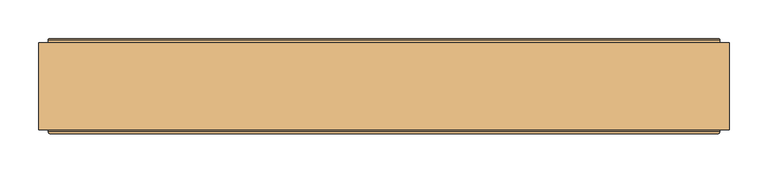
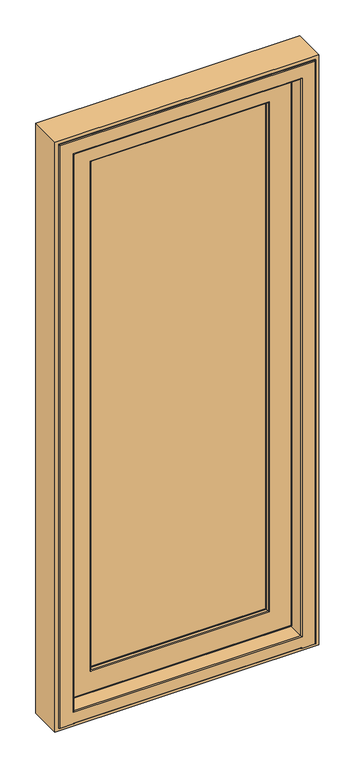
"""IFC4 building model written with IfcOpenShell, lengths in millimetres: door geometry."""

from ifc_helpers import new_model, si_unit, frame, origin, place, context, project, spatial, polyline, circle_curve, ellipse_curve, outline, extrude, source, transform, mapped, element, save
from ifc_brep_helpers import plane_surface, cylinder_surface, revolved_surface, advanced_brep


def door_18494479(model_context):
    return source(origin(), model_context, "Body", "SolidModel", [
        advanced_brep(
        [(396.5, 188.6168436, 2052.5), (396.5, 185.5999985, 2052.5), (396.5, 185.5999985, 47.5), (396.5, 188.6168436, 47.5), (399.0, 193.0, 2055.0), (400.0, 192.0, 2056.0), (400.0, 192.0, 44.0), (399.0, 193.0, 45.0), (304.76011, 192.6156615, 1960.76011), (305.5481207, 193.0, 1961.5481207), (305.5481207, 193.0, 138.4518793), (304.76011, 192.6156615, 139.23989), (296.9926597, 182.6737784, 1952.9926597), (296.9926597, 182.6737784, 147.0073403), (296.9926597, 181.0, 1952.9926597), (296.9926597, 181.0, 147.0073403), (315.3670018, 133.0, 1971.3670018), (321.2606608, 181.0, 1977.2606608), (321.2606608, 181.0, 122.7393392), (315.3670018, 133.0, 128.6329982), (297.0, 130.0, 1953.0), (297.0, 133.0, 1953.0), (297.0, 133.0, 147.0), (297.0, 130.0, 147.0), (297.0218525, 128.7920883, 1953.0218525), (298.0000001, 130.0, 1954.0000001), (298.0000001, 130.0, 145.9999999), (297.0218525, 128.7920883, 146.9781475), (298.8106909, 120.376265, 1954.8106909), (298.8106909, 120.376265, 145.1893091), (301.7451337, 118.0, 1957.7451337), (301.7451337, 118.0, 142.2548663), (377.5618051, 119.7562613, 2033.5618051), (375.5767128, 118.0, 2031.5767128), (375.5767128, 118.0, 68.4232872), (377.5618051, 119.7562613, 66.4381949), (379.5562854, 136.0, 2035.5562854), (379.5562854, 136.0, 64.4437146), (391.0, 185.5999985, 2047.0), (391.0, 136.0, 2047.0), (391.0, 136.0, 53.0), (391.0, 185.5999985, 53.0), (-396.5, 185.5999985, 47.5), (-396.5, 188.6168436, 47.5), (-400.0, 192.0, 44.0), (-399.0, 193.0, 45.0), (-305.5481207, 193.0, 138.4518793), (-304.76011, 192.6156615, 139.23989), (-296.9926597, 182.6737784, 147.0073403), (-296.9926597, 181.0, 147.0073403), (-321.2606608, 181.0, 122.7393392), (-315.3670018, 133.0, 128.6329982), (-297.0, 133.0, 147.0), (-297.0, 130.0, 147.0), (-298.0000001, 130.0, 145.9999999), (-297.0218525, 128.7920883, 146.9781475), (-298.8106909, 120.376265, 145.1893091), (-301.7451337, 118.0, 142.2548663), (-375.5767128, 118.0, 68.4232872), (-377.5618051, 119.7562613, 66.4381949), (-379.5562854, 136.0, 64.4437146), (-391.0, 136.0, 53.0), (-391.0, 185.5999985, 53.0), (-396.5, 185.5999985, 2052.5), (-396.5, 188.6168436, 2052.5), (-400.0, 192.0, 2056.0), (-399.0, 193.0, 2055.0), (-305.5481207, 193.0, 1961.5481207), (-304.76011, 192.6156615, 1960.76011), (-296.9926597, 182.6737784, 1952.9926597), (-296.9926597, 181.0, 1952.9926597), (-321.2606608, 181.0, 1977.2606608), (-315.3670018, 133.0, 1971.3670018), (-297.0, 133.0, 1953.0), (-297.0, 130.0, 1953.0), (-298.0000001, 130.0, 1954.0000001), (-297.0218525, 128.7920883, 1953.0218525), (-298.8106909, 120.376265, 1954.8106909), (-301.7451337, 118.0, 1957.7451337), (-375.5767128, 118.0, 2031.5767128), (-377.5618051, 119.7562613, 2033.5618051), (-379.5562854, 136.0, 2035.5562854), (-391.0, 136.0, 2047.0), (-391.0, 185.5999985, 2047.0), (406.1997151, 189.6865589, 37.8002849), (-406.1997151, 189.6865589, 37.8002849), (-406.1997151, 189.6865589, 2062.1997151), (406.1997151, 189.6865589, 2062.1997151), (400.0, 189.6865589, 2056.0), (-400.0, 189.6865589, 2056.0), (-400.0, 189.6865589, 44.0), (400.0, 189.6865589, 44.0), (406.1997151, 188.6168436, 2062.1997151), (406.1997151, 188.6168436, 37.8002849), (-406.1997151, 188.6168436, 37.8002849), (-406.1997151, 188.6168436, 2062.1997151)],
        [
            (0, 1),
            (1, 2),
            (2, 3),
            (3, 0),
            (4, 5, ellipse_curve(frame((399.0, 192.0, 2055.0), z_axis=(0.7071067811865475, 0.0, -0.7071067811865475), x_axis=(0.7071067811865474, 0.0, 0.7071067811865476)), 1.4142136, 1.0)),
            (5, 6),
            (6, 7, ellipse_curve(frame((399.0, 192.0, 45.0), z_axis=(0.7071067811865475, 0.0, 0.7071067811865475), x_axis=(-0.7071067811865474, 0.0, 0.7071067811865476)), 1.4142136, 1.0)),
            (7, 4),
            (8, 9, ellipse_curve(frame((305.5481207, 192.0, 1961.5481207), z_axis=(0.7071067811865475, 0.0, -0.7071067811865475), x_axis=(0.7071067811865474, 0.0, 0.7071067811865476)), 1.4142136, 1.0)),
            (9, 10),
            (10, 11, ellipse_curve(frame((305.5481207, 192.0, 138.4518793), z_axis=(0.7071067811865475, 0.0, 0.7071067811865475), x_axis=(-0.7071067811865474, 0.0, 0.7071067811865476)), 1.4142136, 1.0)),
            (11, 8),
            (12, 8),
            (11, 13),
            (13, 12),
            (14, 12),
            (13, 15),
            (15, 14),
            (16, 17),
            (17, 18),
            (18, 19),
            (19, 16),
            (20, 21),
            (21, 22),
            (22, 23),
            (23, 20),
            (24, 25, ellipse_curve(frame((298.0000001, 129.0, 1954.0000001), z_axis=(0.7071067811865475, 0.0, -0.7071067811865475), x_axis=(0.7071067811865474, 0.0, 0.7071067811865476)), 1.4142136, 1.0)),
            (25, 26),
            (26, 27, ellipse_curve(frame((298.0000001, 129.0, 145.9999999), z_axis=(0.7071067811865475, 0.0, 0.7071067811865475), x_axis=(-0.7071067811865474, 0.0, 0.7071067811865476)), 1.4142136, 1.0)),
            (27, 24),
            (28, 24),
            (27, 29),
            (29, 28),
            (30, 28, ellipse_curve(frame((301.7451337, 121.0, 1957.7451337), z_axis=(0.7071067811865475, 0.0, -0.7071067811865475), x_axis=(0.7071067811865474, 0.0, 0.7071067811865476)), 4.2426407, 3.0)),
            (29, 31, ellipse_curve(frame((301.7451337, 121.0, 142.2548663), z_axis=(0.7071067811865475, 0.0, 0.7071067811865475), x_axis=(-0.7071067811865474, 0.0, 0.7071067811865476)), 4.2426407, 3.0)),
            (31, 30),
            (32, 33, ellipse_curve(frame((375.5767128, 120.0, 2031.5767128), z_axis=(0.7071067811865475, 0.0, -0.7071067811865475), x_axis=(0.7071067811865474, 0.0, 0.7071067811865476)), 2.8284271, 2.0)),
            (33, 34),
            (34, 35, ellipse_curve(frame((375.5767128, 120.0, 68.4232872), z_axis=(0.7071067811865475, 0.0, 0.7071067811865475), x_axis=(-0.7071067811865474, 0.0, 0.7071067811865476)), 2.8284271, 2.0)),
            (35, 32),
            (36, 32),
            (35, 37),
            (37, 36),
            (38, 39),
            (39, 40),
            (40, 41),
            (41, 38),
            (2, 42),
            (42, 43),
            (43, 3),
            (6, 44),
            (44, 45, ellipse_curve(frame((-399.0, 192.0, 45.0), z_axis=(0.7071067811865475, 0.0, -0.7071067811865475), x_axis=(0.7071067811865476, 0.0, 0.7071067811865474)), 1.4142136, 1.0)),
            (45, 7),
            (10, 46),
            (46, 47, ellipse_curve(frame((-305.5481207, 192.0, 138.4518793), z_axis=(0.7071067811865475, 0.0, -0.7071067811865475), x_axis=(0.7071067811865476, 0.0, 0.7071067811865474)), 1.4142136, 1.0)),
            (47, 11),
            (47, 48),
            (48, 13),
            (48, 49),
            (49, 15),
            (18, 50),
            (50, 51),
            (51, 19),
            (22, 52),
            (52, 53),
            (53, 23),
            (26, 54),
            (54, 55, ellipse_curve(frame((-298.0000001, 129.0, 145.9999999), z_axis=(0.7071067811865475, 0.0, -0.7071067811865475), x_axis=(0.7071067811865476, 0.0, 0.7071067811865474)), 1.4142136, 1.0)),
            (55, 27),
            (55, 56),
            (56, 29),
            (56, 57, ellipse_curve(frame((-301.7451337, 121.0, 142.2548663), z_axis=(0.7071067811865475, 0.0, -0.7071067811865475), x_axis=(0.7071067811865476, 0.0, 0.7071067811865474)), 4.2426407, 3.0)),
            (57, 31),
            (34, 58),
            (58, 59, ellipse_curve(frame((-375.5767128, 120.0, 68.4232872), z_axis=(0.7071067811865475, 0.0, -0.7071067811865475), x_axis=(0.7071067811865476, 0.0, 0.7071067811865474)), 2.8284271, 2.0)),
            (59, 35),
            (59, 60),
            (60, 37),
            (40, 61),
            (61, 62),
            (62, 41),
            (42, 63),
            (63, 64),
            (64, 43),
            (44, 65),
            (65, 66, ellipse_curve(frame((-399.0, 192.0, 2055.0), z_axis=(-0.7071067811865475, 0.0, -0.7071067811865475), x_axis=(0.7071067811865474, 0.0, -0.7071067811865476)), 1.4142136, 1.0)),
            (66, 45),
            (46, 67),
            (67, 68, ellipse_curve(frame((-305.5481207, 192.0, 1961.5481207), z_axis=(-0.7071067811865475, 0.0, -0.7071067811865475), x_axis=(0.7071067811865474, 0.0, -0.7071067811865476)), 1.4142136, 1.0)),
            (68, 47),
            (68, 69),
            (69, 48),
            (69, 70),
            (70, 49),
            (50, 71),
            (71, 72),
            (72, 51),
            (52, 73),
            (73, 74),
            (74, 53),
            (54, 75),
            (75, 76, ellipse_curve(frame((-298.0000001, 129.0, 1954.0000001), z_axis=(-0.7071067811865475, 0.0, -0.7071067811865475), x_axis=(0.7071067811865474, 0.0, -0.7071067811865476)), 1.4142136, 1.0)),
            (76, 55),
            (76, 77),
            (77, 56),
            (77, 78, ellipse_curve(frame((-301.7451337, 121.0, 1957.7451337), z_axis=(-0.7071067811865475, 0.0, -0.7071067811865475), x_axis=(0.7071067811865474, 0.0, -0.7071067811865476)), 4.2426407, 3.0)),
            (78, 57),
            (58, 79),
            (79, 80, ellipse_curve(frame((-375.5767128, 120.0, 2031.5767128), z_axis=(-0.7071067811865475, 0.0, -0.7071067811865475), x_axis=(0.7071067811865474, 0.0, -0.7071067811865476)), 2.8284271, 2.0)),
            (80, 59),
            (80, 81),
            (81, 60),
            (61, 82),
            (82, 83),
            (83, 62),
            (1, 63),
            (83, 38),
            (0, 64),
            (84, 85),
            (85, 86),
            (86, 87),
            (87, 84),
            (88, 89),
            (89, 90),
            (90, 91),
            (91, 88),
            (65, 5),
            (4, 66),
            (9, 67),
            (8, 68),
            (12, 69),
            (14, 70),
            (17, 71),
            (16, 72),
            (21, 73),
            (20, 74),
            (25, 75),
            (24, 76),
            (28, 77),
            (30, 78),
            (33, 79),
            (32, 80),
            (36, 81),
            (39, 82),
            (87, 92),
            (92, 93),
            (93, 84),
            (5, 88),
            (91, 6),
            (93, 94),
            (94, 85),
            (90, 44),
            (94, 95),
            (95, 86),
            (89, 65),
            (92, 95),
        ],
        [
            plane_surface(frame((396.5, 185.5999985, 2052.5), z_axis=(1.0, 0.0, 0.0), x_axis=(0.0, 0.0, -1.0))),
            cylinder_surface(frame((399.0, 192.0, 2047.0), z_axis=(0.0, 0.0, 1.0), x_axis=(0.0, -1.0, 0.0)), 1.0),
            cylinder_surface(frame((305.5481207, 192.0, 2047.0), z_axis=(0.0, 0.0, 1.0), x_axis=(0.0, -1.0, 0.0)), 1.0),
            plane_surface(frame((304.76011, 192.6156615, 1960.76011), z_axis=(-0.7880107536067479, 0.6156614753256251, 0.0), x_axis=(0.0, 0.0, -1.0))),
            plane_surface(frame((296.9926597, 182.6737784, 1952.9926597), z_axis=(-1.0, 0.0, 0.0), x_axis=(0.0, 0.0, -1.0))),
            plane_surface(frame((321.2606608, 181.0, 1977.2606608), z_axis=(-0.9925461516413231, 0.12186934340513902, 0.0), x_axis=(0.0, 0.0, -1.0))),
            plane_surface(frame((297.0, 133.0, 1953.0), z_axis=(-1.0, 0.0, 0.0), x_axis=(0.0, 0.0, -1.0))),
            cylinder_surface(frame((298.0000001, 129.0, 2047.0), z_axis=(0.0, 0.0, 1.0), x_axis=(0.0, -1.0, 0.0)), 1.0),
            plane_surface(frame((297.0218525, 128.7920883, 1953.0218525), z_axis=(-0.978147604222882, -0.20791167440294514, 0.0), x_axis=(0.0, 0.0, -1.0))),
            cylinder_surface(frame((301.7451337, 121.0, 2047.0), z_axis=(0.0, 0.0, 1.0), x_axis=(0.0, -1.0, 0.0)), 3.0),
            cylinder_surface(frame((375.5767128, 120.0, 2047.0), z_axis=(0.0, 0.0, 1.0), x_axis=(0.0, -1.0, 0.0)), 2.0),
            plane_surface(frame((377.5618051, 119.7562613, 2033.5618051), z_axis=(0.9925461516416144, -0.12186934340276656, 0.0), x_axis=(0.0, 0.0, -1.0))),
            plane_surface(frame((391.0, 136.0, 2047.0), z_axis=(1.0, 0.0, 0.0), x_axis=(0.0, 0.0, -1.0))),
            plane_surface(frame((396.5, 185.5999985, 47.5), z_axis=(0.0, 0.0, -1.0), x_axis=(-1.0, 0.0, 0.0))),
            cylinder_surface(frame((391.0, 192.0, 45.0), z_axis=(1.0, 0.0, 0.0), x_axis=(0.0, -1.0, 0.0)), 1.0),
            cylinder_surface(frame((391.0, 192.0, 138.4518793), z_axis=(1.0, 0.0, 0.0), x_axis=(0.0, -1.0, 0.0)), 1.0),
            plane_surface(frame((304.76011, 192.6156615, 139.23989), z_axis=(0.0, 0.6156614753256251, 0.7880107536067479), x_axis=(-1.0, 0.0, 0.0))),
            plane_surface(frame((296.9926597, 182.6737784, 147.0073403), z_axis=(0.0, 0.0, 1.0), x_axis=(-1.0, 0.0, 0.0))),
            plane_surface(frame((321.2606608, 181.0, 122.7393392), z_axis=(0.0, 0.12186934340513902, 0.9925461516413231), x_axis=(-1.0, 0.0, 0.0))),
            plane_surface(frame((297.0, 133.0, 147.0), z_axis=(0.0, 0.0, 1.0), x_axis=(-1.0, 0.0, 0.0))),
            cylinder_surface(frame((391.0, 129.0, 145.9999999), z_axis=(1.0, 0.0, 0.0), x_axis=(0.0, -1.0, 0.0)), 1.0),
            plane_surface(frame((297.0218525, 128.7920883, 146.9781475), z_axis=(0.0, -0.20791167440294514, 0.978147604222882), x_axis=(-1.0, 0.0, 0.0))),
            cylinder_surface(frame((391.0, 121.0, 142.2548663), z_axis=(1.0, 0.0, 0.0), x_axis=(0.0, -1.0, 0.0)), 3.0),
            cylinder_surface(frame((391.0, 120.0, 68.4232872), z_axis=(1.0, 0.0, 0.0), x_axis=(0.0, -1.0, 0.0)), 2.0),
            plane_surface(frame((377.5618051, 119.7562613, 66.4381949), z_axis=(0.0, -0.12186934340276656, -0.9925461516416144), x_axis=(-1.0, 0.0, 0.0))),
            plane_surface(frame((391.0, 136.0, 53.0), z_axis=(0.0, 0.0, -1.0), x_axis=(-1.0, 0.0, 0.0))),
            plane_surface(frame((-396.5, 185.5999985, 47.5), z_axis=(-1.0, 0.0, 0.0), x_axis=(0.0, 0.0, 1.0))),
            cylinder_surface(frame((-399.0, 192.0, 53.0), z_axis=(0.0, 0.0, -1.0), x_axis=(0.0, -1.0, 0.0)), 1.0),
            cylinder_surface(frame((-305.5481207, 192.0, 53.0), z_axis=(0.0, 0.0, -1.0), x_axis=(0.0, -1.0, 0.0)), 1.0),
            plane_surface(frame((-304.76011, 192.6156615, 139.23989), z_axis=(0.7880107536067479, 0.6156614753256251, 0.0), x_axis=(0.0, 0.0, 1.0))),
            plane_surface(frame((-296.9926597, 182.6737784, 147.0073403), z_axis=(1.0, 0.0, 0.0), x_axis=(0.0, 0.0, 1.0))),
            plane_surface(frame((-321.2606608, 181.0, 122.7393392), z_axis=(0.9925461516413231, 0.12186934340513902, 0.0), x_axis=(0.0, 0.0, 1.0))),
            plane_surface(frame((-297.0, 133.0, 147.0), z_axis=(1.0, 0.0, 0.0), x_axis=(0.0, 0.0, 1.0))),
            cylinder_surface(frame((-298.0000001, 129.0, 53.0), z_axis=(0.0, 0.0, -1.0), x_axis=(0.0, -1.0, 0.0)), 1.0),
            plane_surface(frame((-297.0218525, 128.7920883, 146.9781475), z_axis=(0.978147604222882, -0.20791167440294514, 0.0), x_axis=(0.0, 0.0, 1.0))),
            cylinder_surface(frame((-301.7451337, 121.0, 53.0), z_axis=(0.0, 0.0, -1.0), x_axis=(0.0, -1.0, 0.0)), 3.0),
            cylinder_surface(frame((-375.5767128, 120.0, 53.0), z_axis=(0.0, 0.0, -1.0), x_axis=(0.0, -1.0, 0.0)), 2.0),
            plane_surface(frame((-377.5618051, 119.7562613, 66.4381949), z_axis=(-0.9925461516416144, -0.12186934340276656, 0.0), x_axis=(0.0, 0.0, 1.0))),
            plane_surface(frame((-391.0, 136.0, 53.0), z_axis=(-1.0, 0.0, 0.0), x_axis=(0.0, 0.0, 1.0))),
            plane_surface(frame((-391.0, 185.5999985, 2047.0), z_axis=(0.0, -1.0, 0.0), x_axis=(1.0, 0.0, 0.0))),
            plane_surface(frame((-396.5, 185.5999985, 2052.5), z_axis=(0.0, 0.0, 1.0), x_axis=(1.0, 0.0, 0.0))),
            plane_surface(frame((-406.1997151, 189.6865589, 2062.1997151), z_axis=(0.0, 1.0, 0.0), x_axis=(1.0, 0.0, 0.0))),
            cylinder_surface(frame((-391.0, 192.0, 2055.0), z_axis=(-1.0, 0.0, 0.0), x_axis=(0.0, -1.0, 0.0)), 1.0),
            plane_surface(frame((-399.0, 193.0, 2055.0), z_axis=(0.0, 1.0, 0.0), x_axis=(1.0, 0.0, 0.0))),
            cylinder_surface(frame((-391.0, 192.0, 1961.5481207), z_axis=(-1.0, 0.0, 0.0), x_axis=(0.0, -1.0, 0.0)), 1.0),
            plane_surface(frame((-304.76011, 192.6156615, 1960.76011), z_axis=(0.0, 0.6156614753256251, -0.7880107536067479), x_axis=(1.0, 0.0, 0.0))),
            plane_surface(frame((-296.9926597, 182.6737784, 1952.9926597), z_axis=(0.0, 0.0, -1.0), x_axis=(1.0, 0.0, 0.0))),
            plane_surface(frame((-296.9926597, 181.0, 1952.9926597), z_axis=(0.0, -1.0, 0.0), x_axis=(1.0, 0.0, 0.0))),
            plane_surface(frame((-321.2606608, 181.0, 1977.2606608), z_axis=(0.0, 0.12186934340513902, -0.9925461516413231), x_axis=(1.0, 0.0, 0.0))),
            plane_surface(frame((-315.3670018, 133.0, 1971.3670018), z_axis=(0.0, 1.0, 0.0), x_axis=(1.0, 0.0, 0.0))),
            plane_surface(frame((-297.0, 133.0, 1953.0), z_axis=(0.0, 0.0, -1.0), x_axis=(1.0, 0.0, 0.0))),
            plane_surface(frame((-297.0, 130.0, 1953.0), z_axis=(0.0, -1.0, 0.0), x_axis=(1.0, 0.0, 0.0))),
            cylinder_surface(frame((-391.0, 129.0, 1954.0000001), z_axis=(-1.0, 0.0, 0.0), x_axis=(0.0, -1.0, 0.0)), 1.0),
            plane_surface(frame((-297.0218525, 128.7920883, 1953.0218525), z_axis=(0.0, -0.20791167440294514, -0.978147604222882), x_axis=(1.0, 0.0, 0.0))),
            cylinder_surface(frame((-391.0, 121.0, 1957.7451337), z_axis=(-1.0, 0.0, 0.0), x_axis=(0.0, -1.0, 0.0)), 3.0),
            plane_surface(frame((-301.7451337, 118.0, 1957.7451337), z_axis=(0.0, -1.0, 0.0), x_axis=(1.0, 0.0, 0.0))),
            cylinder_surface(frame((-391.0, 120.0, 2031.5767128), z_axis=(-1.0, 0.0, 0.0), x_axis=(0.0, -1.0, 0.0)), 2.0),
            plane_surface(frame((-377.5618051, 119.7562613, 2033.5618051), z_axis=(0.0, -0.12186934340276656, 0.9925461516416144), x_axis=(1.0, 0.0, 0.0))),
            plane_surface(frame((-379.5562854, 136.0, 2035.5562854), z_axis=(0.0, -1.0, 0.0), x_axis=(1.0, 0.0, 0.0))),
            plane_surface(frame((-391.0, 136.0, 2047.0), z_axis=(0.0, 0.0, 1.0), x_axis=(1.0, 0.0, 0.0))),
            plane_surface(frame((406.1997151, 188.6168436, 2062.1997151), z_axis=(1.0, 0.0, 0.0), x_axis=(0.0, 0.0, -1.0))),
            plane_surface(frame((400.0, 189.6865589, 2056.0), z_axis=(1.0, 0.0, 0.0), x_axis=(0.0, 0.0, -1.0))),
            plane_surface(frame((406.1997151, 188.6168436, 37.8002849), z_axis=(0.0, 0.0, -1.0), x_axis=(-1.0, 0.0, 0.0))),
            plane_surface(frame((400.0, 189.6865589, 44.0), z_axis=(0.0, 0.0, -1.0), x_axis=(-1.0, 0.0, 0.0))),
            plane_surface(frame((-406.1997151, 188.6168436, 37.8002849), z_axis=(-1.0, 0.0, 0.0), x_axis=(0.0, 0.0, 1.0))),
            plane_surface(frame((-400.0, 189.6865589, 44.0), z_axis=(-1.0, 0.0, 0.0), x_axis=(0.0, 0.0, 1.0))),
            plane_surface(frame((-396.5, 188.6168436, 2052.5), z_axis=(0.0, -1.0, 0.0), x_axis=(1.0, 0.0, 0.0))),
            plane_surface(frame((-406.1997151, 188.6168436, 2062.1997151), z_axis=(0.0, 0.0, 1.0), x_axis=(1.0, 0.0, 0.0))),
            plane_surface(frame((-400.0, 189.6865589, 2056.0), z_axis=(0.0, 0.0, 1.0), x_axis=(1.0, 0.0, 0.0))),
        ],
        [
            (0, [[1, 2, 3, 4]]),
            (1, [[5, 6, 7, 8]]),
            (2, [[9, 10, 11, 12]]),
            (3, [[13, -12, 14, 15]]),
            (4, [[16, -15, 17, 18]]),
            (5, [[19, 20, 21, 22]]),
            (6, [[23, 24, 25, 26]]),
            (7, [[27, 28, 29, 30]]),
            (8, [[31, -30, 32, 33]]),
            (9, [[34, -33, 35, 36]]),
            (10, [[37, 38, 39, 40]]),
            (11, [[41, -40, 42, 43]]),
            (12, [[44, 45, 46, 47]]),
            (13, [[-3, 48, 49, 50]]),
            (14, [[-7, 51, 52, 53]]),
            (15, [[-11, 54, 55, 56]]),
            (16, [[-14, -56, 57, 58]]),
            (17, [[-17, -58, 59, 60]]),
            (18, [[-21, 61, 62, 63]]),
            (19, [[-25, 64, 65, 66]]),
            (20, [[-29, 67, 68, 69]]),
            (21, [[-32, -69, 70, 71]]),
            (22, [[-35, -71, 72, 73]]),
            (23, [[-39, 74, 75, 76]]),
            (24, [[-42, -76, 77, 78]]),
            (25, [[-46, 79, 80, 81]]),
            (26, [[-49, 82, 83, 84]]),
            (27, [[-52, 85, 86, 87]]),
            (28, [[-55, 88, 89, 90]]),
            (29, [[-57, -90, 91, 92]]),
            (30, [[-59, -92, 93, 94]]),
            (31, [[-62, 95, 96, 97]]),
            (32, [[-65, 98, 99, 100]]),
            (33, [[-68, 101, 102, 103]]),
            (34, [[-70, -103, 104, 105]]),
            (35, [[-72, -105, 106, 107]]),
            (36, [[-75, 108, 109, 110]]),
            (37, [[-77, -110, 111, 112]]),
            (38, [[-80, 113, 114, 115]]),
            (39, [[116, -82, -48, -2], [-81, -115, 117, -47]]),
            (40, [[-83, -116, -1, 118]]),
            (41, [[119, 120, 121, 122], [123, 124, 125, 126]]),
            (42, [[-86, 127, -5, 128]]),
            (43, [[-53, -87, -128, -8], [129, -88, -54, -10]]),
            (44, [[-89, -129, -9, 130]]),
            (45, [[-91, -130, -13, 131]]),
            (46, [[-93, -131, -16, 132]]),
            (47, [[133, -95, -61, -20], [-60, -94, -132, -18]]),
            (48, [[-96, -133, -19, 134]]),
            (49, [[-63, -97, -134, -22], [135, -98, -64, -24]]),
            (50, [[-99, -135, -23, 136]]),
            (51, [[137, -101, -67, -28], [-66, -100, -136, -26]]),
            (52, [[-102, -137, -27, 138]]),
            (53, [[-104, -138, -31, 139]]),
            (54, [[-106, -139, -34, 140]]),
            (55, [[141, -108, -74, -38], [-73, -107, -140, -36]]),
            (56, [[-109, -141, -37, 142]]),
            (57, [[-111, -142, -41, 143]]),
            (58, [[144, -113, -79, -45], [-78, -112, -143, -43]]),
            (59, [[-114, -144, -44, -117]]),
            (60, [[145, 146, 147, -122]]),
            (61, [[148, -126, 149, -6]]),
            (62, [[-147, 150, 151, -119]]),
            (63, [[-149, -125, 152, -51]]),
            (64, [[-151, 153, 154, -120]]),
            (65, [[-152, -124, 155, -85]]),
            (66, [[156, -153, -150, -146], [-50, -84, -118, -4]]),
            (67, [[-154, -156, -145, -121]]),
            (68, [[-155, -123, -148, -127]]),
        ],
    ),
        extrude(outline(polyline([(306.1459285, 133.0110098), (-306.1459285, 133.0110098), (-306.1459285, 181.0110098), (306.1459285, 181.0110098), (306.1459285, 133.0110098)])), frame((0.0, 0.0, 137.8540715), z_axis=(0.0, 0.0, 1.0), x_axis=(1.0, 0.0, 0.0)), (0.0, 0.0, 1.0), 1824.291857),
        extrude(outline(polyline([(2100.0, -444.0), (0.0, -444.0), (0.0, 444.0), (2100.0, 444.0), (2100.0, -444.0)]), holes=[polyline([(2088.0, 432.0), (12.0, 432.0), (12.0, -432.0), (2088.0, -432.0), (2088.0, 432.0)])]), frame((0.0, 77.0, 0.0), z_axis=(0.0, 1.0, 0.0), x_axis=(0.0, 0.0, 1.0)), (0.0, 0.0, 1.0), 112.0),
        advanced_brep(
        [(406.7857488, 186.453125, 12.0), (407.6, 186.453125, 12.0), (407.6, 193.0, 12.0), (408.6, 194.0, 12.0), (431.0, 194.0, 12.0), (432.0, 193.0, 12.0), (432.0, 75.0, 12.0), (429.0, 72.0, 12.0), (385.0, 72.0, 12.0), (382.0, 75.0, 12.0), (-382.0, 75.0, 12.0), (-385.0, 72.0, 12.0), (-429.0, 72.0, 12.0), (-432.0, 75.0, 12.0), (-432.0, 193.0, 12.0), (-431.0, 194.0, 12.0), (-408.6, 194.0, 12.0), (-407.6, 193.0, 12.0), (-407.6, 186.453125, 12.0), (-406.7857488, 186.453125, 12.0), (-406.7857488, 191.0, 12.0), (406.7857488, 191.0, 12.0), (406.7857488, 186.453125, 31.1912124), (406.7857488, 186.453125, 2062.7857488), (-406.7857488, 186.453125, 2062.7857488), (-406.7857488, 186.453125, 31.1912124), (-407.6, 186.453125, 2063.6), (407.6, 186.453125, 2063.6), (407.6, 193.0, 2063.6), (408.6, 194.0, 2064.6), (-408.6, 194.0, 2064.6), (-431.0, 194.0, 2087.0), (431.0, 194.0, 2087.0), (432.0, 193.0, 2088.0), (432.0, 75.0, 2088.0), (429.0, 72.0, 2085.0), (-429.0, 72.0, 2085.0), (-385.0, 72.0, 15.0), (385.0, 72.0, 15.0), (385.0, 72.0, 2041.0), (385.0, 72.0, 53.0), (-385.0, 72.0, 53.0), (-385.0, 72.0, 2041.0), (382.0, 75.0, 2038.0), (382.0, 75.0, 56.0), (-382.0, 75.0, 2038.0), (-382.0, 75.0, 56.0), (-432.0, 75.0, 2088.0), (-432.0, 193.0, 2088.0), (-407.6, 193.0, 2063.6), (-406.7857488, 191.365608, 30.5880353), (-406.7857488, 194.0, 27.6103969), (-406.7857488, 194.0, 15.0), (406.7857488, 194.0, 15.0), (406.7857488, 194.0, 27.6103969), (406.7857488, 191.365608, 30.5880353), (-398.6498733, 131.0, 2054.6498733), (398.6498733, 131.0, 2054.6498733), (398.6498733, 131.0, 39.3270879), (-398.6498733, 131.0, 39.3270879), (383.5, 131.0, 2039.5), (-383.5, 131.0, 2039.5), (-383.5, 131.0, 54.5), (383.5, 131.0, 54.5), (382.0, 129.5, 2038.0), (382.0, 129.5, 56.0), (-382.0, 129.5, 56.0), (-382.0, 129.5, 2038.0), (400.1386925, 132.317196, 2056.1386925), (400.1386925, 132.317196, 37.8382687), (-400.1386925, 132.317196, 37.8382687), (-400.1386925, 132.317196, 2056.1386925)],
        [
            (0, 1),
            (1, 2),
            (2, 3, circle_curve(frame((408.6, 193.0, 12.0), z_axis=(0.0, 0.0, -1.0), x_axis=(-1.0, 0.0, 0.0)), 1.0)),
            (3, 4),
            (4, 5, circle_curve(frame((431.0, 193.0, 12.0), z_axis=(0.0, 0.0, -1.0), x_axis=(-1.0, 0.0, 0.0)), 1.0)),
            (5, 6),
            (6, 7, circle_curve(frame((429.0, 75.0, 12.0), z_axis=(0.0, 0.0, -1.0), x_axis=(-1.0, 0.0, 0.0)), 3.0)),
            (7, 8),
            (8, 9, circle_curve(frame((385.0, 75.0, 12.0), z_axis=(0.0, 0.0, -1.0), x_axis=(-1.0, 0.0, 0.0)), 3.0)),
            (9, 10),
            (10, 11, circle_curve(frame((-385.0, 75.0, 12.0), z_axis=(0.0, 0.0, -1.0), x_axis=(1.0, 0.0, 0.0)), 3.0)),
            (11, 12),
            (12, 13, circle_curve(frame((-429.0, 75.0, 12.0), z_axis=(0.0, 0.0, -1.0), x_axis=(1.0, 0.0, 0.0)), 3.0)),
            (13, 14),
            (14, 15, circle_curve(frame((-431.0, 193.0, 12.0), z_axis=(0.0, 0.0, -1.0), x_axis=(1.0, 0.0, 0.0)), 1.0)),
            (15, 16),
            (16, 17, circle_curve(frame((-408.6, 193.0, 12.0), z_axis=(0.0, 0.0, -1.0), x_axis=(1.0, 0.0, 0.0)), 1.0)),
            (17, 18),
            (18, 19),
            (19, 20),
            (20, 21),
            (21, 0),
            (0, 22),
            (22, 23),
            (23, 24),
            (24, 25),
            (25, 19),
            (18, 26),
            (26, 27),
            (27, 1),
            (27, 28),
            (28, 2),
            (28, 29, ellipse_curve(frame((408.6, 193.0, 2064.6), z_axis=(0.7071067811865475, 0.0, -0.7071067811865475), x_axis=(-0.7071067811865474, 0.0, -0.7071067811865476)), 1.4142136, 1.0)),
            (29, 3),
            (29, 30),
            (30, 16),
            (15, 31),
            (31, 32),
            (32, 4),
            (32, 33, ellipse_curve(frame((431.0, 193.0, 2087.0), z_axis=(0.7071067811865475, 0.0, -0.7071067811865475), x_axis=(-0.7071067811865474, 0.0, -0.7071067811865476)), 1.4142136, 1.0)),
            (33, 5),
            (33, 34),
            (34, 6),
            (34, 35, ellipse_curve(frame((429.0, 75.0, 2085.0), z_axis=(0.7071067811865475, 0.0, -0.7071067811865475), x_axis=(-0.7071067811865474, 0.0, -0.7071067811865476)), 4.2426407, 3.0)),
            (35, 7),
            (35, 36),
            (36, 12),
            (11, 37),
            (37, 38),
            (38, 8),
            (39, 40),
            (40, 41),
            (41, 42),
            (42, 39),
            (38, 9, ellipse_curve(frame((385.0, 75.0, 15.0), z_axis=(0.7071067811865475, 0.0, -0.7071067811865475), x_axis=(-0.7071067811865474, 0.0, -0.7071067811865476)), 4.2426407, 3.0)),
            (39, 43, ellipse_curve(frame((385.0, 75.0, 2041.0), z_axis=(0.7071067811865475, 0.0, -0.7071067811865475), x_axis=(-0.7071067811865474, 0.0, -0.7071067811865476)), 4.2426407, 3.0)),
            (43, 44),
            (44, 40, ellipse_curve(frame((385.0, 75.0, 53.0), z_axis=(0.7071067811865475, 0.0, 0.7071067811865475), x_axis=(0.7071067811865474, 0.0, -0.7071067811865476)), 4.2426407, 3.0)),
            (37, 10, ellipse_curve(frame((-385.0, 75.0, 15.0), z_axis=(0.7071067811865475, 0.0, 0.7071067811865475), x_axis=(-0.7071067811865476, 0.0, 0.7071067811865474)), 4.2426407, 3.0)),
            (45, 42, ellipse_curve(frame((-385.0, 75.0, 2041.0), z_axis=(-0.7071067811865475, 0.0, -0.7071067811865475), x_axis=(-0.7071067811865474, 0.0, 0.7071067811865476)), 4.2426407, 3.0)),
            (41, 46, ellipse_curve(frame((-385.0, 75.0, 53.0), z_axis=(-0.7071067811865475, 0.0, 0.7071067811865475), x_axis=(0.7071067811865474, 0.0, 0.7071067811865476)), 4.2426407, 3.0)),
            (46, 45),
            (36, 47, ellipse_curve(frame((-429.0, 75.0, 2085.0), z_axis=(-0.7071067811865475, 0.0, -0.7071067811865475), x_axis=(-0.7071067811865474, 0.0, 0.7071067811865476)), 4.2426407, 3.0)),
            (47, 13),
            (47, 48),
            (48, 14),
            (48, 31, ellipse_curve(frame((-431.0, 193.0, 2087.0), z_axis=(-0.7071067811865475, 0.0, -0.7071067811865475), x_axis=(-0.7071067811865474, 0.0, 0.7071067811865476)), 1.4142136, 1.0)),
            (30, 49, ellipse_curve(frame((-408.6, 193.0, 2064.6), z_axis=(-0.7071067811865475, 0.0, -0.7071067811865475), x_axis=(-0.7071067811865474, 0.0, 0.7071067811865476)), 1.4142136, 1.0)),
            (49, 17),
            (49, 26),
            (50, 51, circle_curve(frame((-406.7857488, 191.0, 27.6103969), z_axis=(-1.0, 0.0, 0.0), x_axis=(0.0, -1.0, 0.0)), 3.0)),
            (51, 52),
            (52, 20, circle_curve(frame((-406.7857488, 191.0, 15.0), z_axis=(-1.0, 0.0, 0.0), x_axis=(0.0, -1.0, 0.0)), 3.0)),
            (25, 50),
            (52, 53),
            (53, 21, circle_curve(frame((406.7857488, 191.0, 15.0), z_axis=(-1.0, 0.0, 0.0), x_axis=(0.0, -1.0, 0.0)), 3.0)),
            (53, 54),
            (54, 55, circle_curve(frame((406.7857488, 191.0, 27.6103969), z_axis=(1.0, 0.0, 0.0), x_axis=(0.0, -1.0, 0.0)), 3.0)),
            (55, 22),
            (56, 57),
            (57, 58),
            (58, 59),
            (59, 56),
            (60, 61),
            (61, 62),
            (62, 63),
            (63, 60),
            (64, 60, ellipse_curve(frame((383.5, 129.5, 2039.5), z_axis=(0.7071067811865475, 0.0, -0.7071067811865475), x_axis=(-0.7071067811865474, 0.0, -0.7071067811865476)), 2.1213203, 1.5)),
            (63, 65, ellipse_curve(frame((383.5, 129.5, 54.5), z_axis=(0.7071067811865475, 0.0, 0.7071067811865475), x_axis=(0.7071067811865474, 0.0, -0.7071067811865476)), 2.1213203, 1.5)),
            (65, 64),
            (62, 66, ellipse_curve(frame((-383.5, 129.5, 54.5), z_axis=(0.7071067811865475, 0.0, -0.7071067811865475), x_axis=(-0.7071067811865476, 0.0, -0.7071067811865474)), 2.1213203, 1.5)),
            (66, 65),
            (43, 64),
            (65, 44),
            (61, 67, ellipse_curve(frame((-383.5, 129.5, 2039.5), z_axis=(-0.7071067811865475, 0.0, -0.7071067811865475), x_axis=(-0.7071067811865474, 0.0, 0.7071067811865476)), 2.1213203, 1.5)),
            (67, 66),
            (57, 68, ellipse_curve(frame((398.6498733, 132.5, 2054.6498733), z_axis=(-0.7071067811865475, 0.0, 0.7071067811865475), x_axis=(0.7071067811865474, 0.0, 0.7071067811865476)), 2.1213203, 1.5)),
            (68, 69),
            (69, 58, ellipse_curve(frame((398.6498733, 132.5, 39.3270879), z_axis=(-0.7071067811865475, 0.0, -0.7071067811865475), x_axis=(-0.7071067811865474, 0.0, 0.7071067811865476)), 2.1213203, 1.5)),
            (69, 70),
            (70, 59, ellipse_curve(frame((-398.6498733, 132.5, 39.3270879), z_axis=(-0.7071067811865475, 0.0, 0.7071067811865475), x_axis=(0.7071067811865476, 0.0, 0.7071067811865474)), 2.1213203, 1.5)),
            (71, 56, ellipse_curve(frame((-398.6498733, 132.5, 2054.6498733), z_axis=(0.7071067811865475, 0.0, 0.7071067811865475), x_axis=(0.7071067811865474, 0.0, -0.7071067811865476)), 2.1213203, 1.5)),
            (70, 71),
            (68, 23),
            (22, 69),
            (55, 50),
            (25, 70),
            (24, 71),
            (44, 46),
            (66, 46),
            (67, 45),
            (54, 51),
            (64, 67),
            (71, 68),
            (49, 28),
            (48, 33),
            (47, 34),
            (45, 43),
        ],
        [
            plane_surface(frame((432.0, 204.0, 12.0), z_axis=(0.0, 0.0, -1.0), x_axis=(0.0, -1.0, 0.0))),
            plane_surface(frame((406.7857488, 186.453125, 12.0), z_axis=(0.0, 1.0, 0.0), x_axis=(0.0, 0.0, 1.0))),
            plane_surface(frame((407.6, 186.453125, 12.0), z_axis=(-1.0, 0.0, 0.0), x_axis=(0.0, 0.0, 1.0))),
            cylinder_surface(frame((408.6, 193.0, 12.0), z_axis=(0.0, 0.0, -1.0), x_axis=(-1.0, 0.0, 0.0)), 1.0),
            plane_surface(frame((408.6, 194.0, 12.0), z_axis=(0.0, 1.0, 0.0), x_axis=(0.0, 0.0, 1.0))),
            cylinder_surface(frame((431.0, 193.0, 12.0), z_axis=(0.0, 0.0, -1.0), x_axis=(-1.0, 0.0, 0.0)), 1.0),
            plane_surface(frame((432.0, 193.0, 12.0), z_axis=(1.0, 0.0, 0.0), x_axis=(0.0, 0.0, 1.0))),
            cylinder_surface(frame((429.0, 75.0, 12.0), z_axis=(0.0, 0.0, -1.0), x_axis=(-1.0, 0.0, 0.0)), 3.0),
            plane_surface(frame((429.0, 72.0, 12.0), z_axis=(0.0, -1.0, 0.0), x_axis=(0.0, 0.0, 1.0))),
            cylinder_surface(frame((385.0, 75.0, 12.0), z_axis=(0.0, 0.0, -1.0), x_axis=(-1.0, 0.0, 0.0)), 3.0),
            cylinder_surface(frame((406.7857488, 75.0, 15.0), z_axis=(-1.0, 0.0, 0.0), x_axis=(0.0, -1.0, 0.0)), 3.0),
            cylinder_surface(frame((-385.0, 75.0, 2088.0), z_axis=(0.0, 0.0, 1.0), x_axis=(1.0, 0.0, 0.0)), 3.0),
            cylinder_surface(frame((-429.0, 75.0, 2088.0), z_axis=(0.0, 0.0, 1.0), x_axis=(1.0, 0.0, 0.0)), 3.0),
            plane_surface(frame((-432.0, 193.0, 2088.0), z_axis=(-1.0, 0.0, 0.0), x_axis=(0.0, 0.0, -1.0))),
            cylinder_surface(frame((-431.0, 193.0, 2088.0), z_axis=(0.0, 0.0, 1.0), x_axis=(1.0, 0.0, 0.0)), 1.0),
            cylinder_surface(frame((-408.6, 193.0, 2088.0), z_axis=(0.0, 0.0, 1.0), x_axis=(1.0, 0.0, 0.0)), 1.0),
            plane_surface(frame((-407.6, 186.453125, 2063.6), z_axis=(1.0, 0.0, 0.0), x_axis=(0.0, 0.0, -1.0))),
            plane_surface(frame((-406.7857488, 191.365608, 30.5880353), z_axis=(-1.0, 0.0, 0.0), x_axis=(0.0, 0.9925461516413232, -0.12186934340513858))),
            cylinder_surface(frame((406.7857488, 191.0, 15.0), z_axis=(-1.0, 0.0, 0.0), x_axis=(0.0, -1.0, 0.0)), 3.0),
            plane_surface(frame((406.7857488, 191.365608, 30.5880353), z_axis=(1.0, 0.0, 0.0), x_axis=(0.0, -0.9925461516413232, 0.12186934340513858))),
            plane_surface(frame((383.5, 131.0, 12.0), z_axis=(0.0, 1.0, 0.0), x_axis=(0.0, 0.0, 1.0))),
            cylinder_surface(frame((383.5, 129.5, 12.0), z_axis=(0.0, 0.0, -1.0), x_axis=(-1.0, 0.0, 0.0)), 1.5),
            cylinder_surface(frame((406.7857488, 129.5, 54.5), z_axis=(-1.0, 0.0, 0.0), x_axis=(0.0, -1.0, 0.0)), 1.5),
            plane_surface(frame((382.0, 75.0, 12.0), z_axis=(-1.0, 0.0, 0.0), x_axis=(0.0, 0.0, 1.0))),
            cylinder_surface(frame((-383.5, 129.5, 2088.0), z_axis=(0.0, 0.0, 1.0), x_axis=(1.0, 0.0, 0.0)), 1.5),
            revolved_surface(polyline([(397.1498733, 132.5, 2056.1498732691985), (397.1498733, 132.5, 37.82708793080132)]), (398.6498733, 132.5, 12.0), (0.0, 0.0, 1.0)),
            revolved_surface(polyline([(400.1498732691987, 131.0, 39.3270879), (-400.14987326919874, 131.0, 39.3270879)]), (406.7857488, 132.5, 39.3270879), (1.0, 0.0, 0.0)),
            revolved_surface(polyline([(-397.1498733, 132.5, 37.827087930801554), (-397.1498733, 132.5, 2056.1498732691985)]), (-398.6498733, 132.5, 2088.0), (0.0, 0.0, -1.0)),
            plane_surface(frame((400.1386925, 132.317196, 12.0), z_axis=(-0.9925461516413233, 0.12186934340513725, 0.0), x_axis=(0.0, 0.0, 1.0))),
            plane_surface(frame((-406.7857488, 132.317196, 37.8382687), z_axis=(0.0, 0.12186934340513858, 0.9925461516413232), x_axis=(1.0, 0.0, 0.0))),
            plane_surface(frame((-400.1386925, 132.317196, 2056.1386925), z_axis=(0.9925461516413242, 0.12186934340513086, 0.0), x_axis=(0.0, 0.0, -1.0))),
            cylinder_surface(frame((406.7857488, 75.0, 53.0), z_axis=(-1.0, 0.0, 0.0), x_axis=(0.0, -1.0, 0.0)), 3.0),
            plane_surface(frame((-406.7857488, 75.0, 56.0), z_axis=(0.0, 0.0, 1.0), x_axis=(1.0, 0.0, 0.0))),
            plane_surface(frame((-382.0, 75.0, 2038.0), z_axis=(1.0, 0.0, 0.0), x_axis=(0.0, 0.0, -1.0))),
            cylinder_surface(frame((406.7857488, 191.0, 27.6103969), z_axis=(-1.0, 0.0, 0.0), x_axis=(0.0, -1.0, 0.0)), 3.0),
            plane_surface(frame((-406.7857488, 194.0, 27.6103969), z_axis=(0.0, 1.0, 0.0), x_axis=(1.0, 0.0, 0.0))),
            cylinder_surface(frame((432.0, 129.5, 2039.5), z_axis=(1.0, 0.0, 0.0), x_axis=(0.0, 0.0, -1.0)), 1.5),
            revolved_surface(polyline([(-400.1498732691988, 132.5, 2053.1498733), (400.1498732691987, 132.5, 2053.1498733)]), (432.0, 132.5, 2054.6498733), (-1.0, 0.0, 0.0)),
            plane_surface(frame((400.1386925, 132.317196, 2056.1386925), z_axis=(0.0, 0.12186934340513406, -0.9925461516413238), x_axis=(-1.0, 0.0, 0.0))),
            plane_surface(frame((407.6, 186.453125, 2063.6), z_axis=(0.0, 0.0, -1.0), x_axis=(-1.0, 0.0, 0.0))),
            cylinder_surface(frame((432.0, 193.0, 2064.6), z_axis=(1.0, 0.0, 0.0), x_axis=(0.0, 0.0, -1.0)), 1.0),
            cylinder_surface(frame((432.0, 193.0, 2087.0), z_axis=(1.0, 0.0, 0.0), x_axis=(0.0, 0.0, -1.0)), 1.0),
            plane_surface(frame((432.0, 193.0, 2088.0), z_axis=(0.0, 0.0, 1.0), x_axis=(-1.0, 0.0, 0.0))),
            cylinder_surface(frame((432.0, 75.0, 2085.0), z_axis=(1.0, 0.0, 0.0), x_axis=(0.0, 0.0, -1.0)), 3.0),
            cylinder_surface(frame((432.0, 75.0, 2041.0), z_axis=(1.0, 0.0, 0.0), x_axis=(0.0, 0.0, -1.0)), 3.0),
            plane_surface(frame((382.0, 75.0, 2038.0), z_axis=(0.0, 0.0, -1.0), x_axis=(-1.0, 0.0, 0.0))),
        ],
        [
            (0, [[1, 2, 3, 4, 5, 6, 7, 8, 9, 10, 11, 12, 13, 14, 15, 16, 17, 18, 19, 20, 21, 22]]),
            (1, [[-1, 23, 24, 25, 26, 27, -19, 28, 29, 30]]),
            (2, [[-2, -30, 31, 32]]),
            (3, [[-3, -32, 33, 34]]),
            (4, [[-4, -34, 35, 36, -16, 37, 38, 39]]),
            (5, [[-5, -39, 40, 41]]),
            (6, [[-6, -41, 42, 43]]),
            (7, [[-7, -43, 44, 45]]),
            (8, [[-8, -45, 46, 47, -12, 48, 49, 50], [51, 52, 53, 54]]),
            (9, [[-9, -50, 55]]),
            (9, [[56, 57, 58, -51]]),
            (10, [[-10, -55, -49, 59]]),
            (11, [[-11, -59, -48]]),
            (11, [[60, -53, 61, 62]]),
            (12, [[-47, 63, 64, -13]]),
            (13, [[65, 66, -14, -64]]),
            (14, [[-37, -15, -66, 67]]),
            (15, [[-36, 68, 69, -17]]),
            (16, [[-28, -18, -69, 70]]),
            (17, [[71, 72, 73, -20, -27, 74]]),
            (18, [[-73, 75, 76, -21]]),
            (19, [[-76, 77, 78, 79, -23, -22]]),
            (20, [[80, 81, 82, 83], [84, 85, 86, 87]]),
            (21, [[88, -87, 89, 90]]),
            (22, [[-86, 91, 92, -89]]),
            (23, [[93, -90, 94, -57]]),
            (24, [[95, 96, -91, -85]]),
            (25, [[-81, 97, 98, 99]]),
            (26, [[-82, -99, 100, 101]]),
            (27, [[102, -83, -101, 103]]),
            (28, [[104, -24, 105, -98]]),
            (29, [[106, -74, 107, -100, -105, -79]]),
            (30, [[108, -103, -107, -26]]),
            (31, [[-52, -58, 109, -61]]),
            (32, [[-92, 110, -109, -94]]),
            (33, [[111, -62, -110, -96]]),
            (34, [[-71, -106, -78, 112]]),
            (35, [[-72, -112, -77, -75]]),
            (36, [[-88, 113, -95, -84]]),
            (37, [[-80, -102, 114, -97]]),
            (38, [[-104, -114, -108, -25]]),
            (39, [[-29, -70, 115, -31]]),
            (40, [[-33, -115, -68, -35]]),
            (41, [[-38, -67, 116, -40]]),
            (42, [[-42, -116, -65, 117]]),
            (43, [[-44, -117, -63, -46]]),
            (44, [[-54, -60, 118, -56]]),
            (45, [[-93, -118, -111, -113]]),
        ],
    ),
    ])


if __name__ == "__main__":
    model = new_model("IFC4")
    model_context = context("Model", 3, world=origin())
    ifc_project = project(units=[si_unit("LENGTHUNIT", "METRE", prefix="MILLI")], contexts=[model_context])
    site = spatial("IfcSite", under=ifc_project)
    building = spatial("IfcBuilding", under=site)
    placement = place(None, origin())
    door_shape = door_18494479(model_context)
    element("IfcDoor", 1, at=placement, inside=building, context=model_context, shape_type="MappedRepresentation", body=[
        mapped(door_shape, transform((0.0, 0.0, 0.0), x_axis=(1.0, 0.0, 0.0), y_axis=(0.0, 1.0, 0.0), z_axis=(0.0, 0.0, 1.0))),
    ])
    save(model, "model.ifc")
